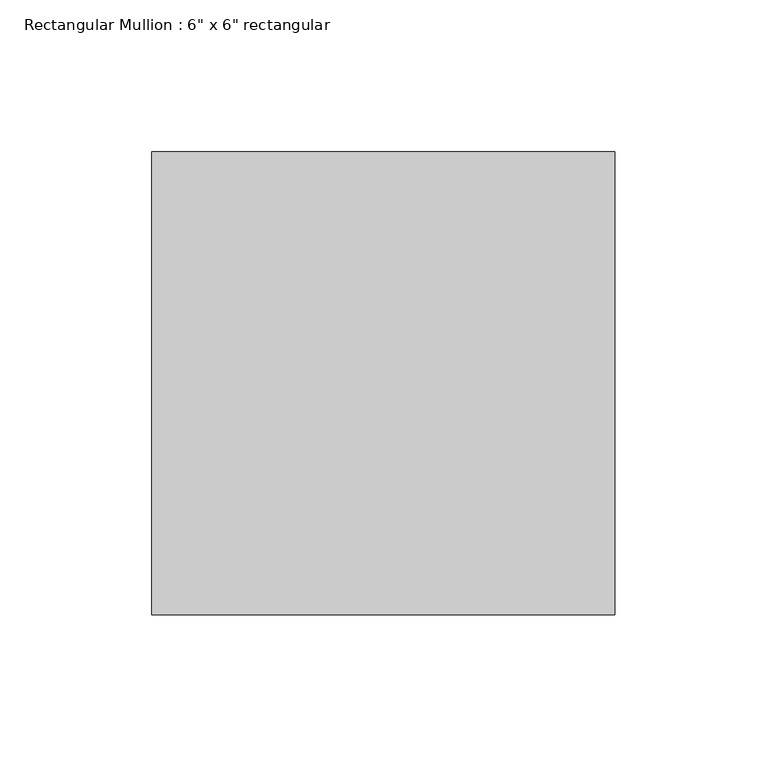
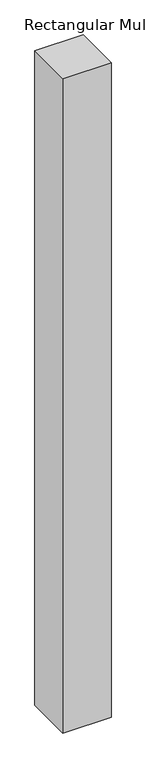
"""IFC4 building model written with IfcOpenShell, lengths in millimetres: member geometry."""

from ifc_helpers import new_model, si_unit, frame, origin, place, context, project, spatial, polyline, outline, extrude, source, transform, mapped, element, save


def member_dff3a911(model_context):
    return source(origin(), model_context, "Body", "SweptSolid", [
        extrude(outline(polyline([(0.0, 76.2), (0.0, -76.2), (-152.4, -76.2), (-152.4, 76.2), (0.0, 76.2)])), frame((0.0, 0.0, -2184.4), z_axis=(0.0, 0.0, 1.0), x_axis=(1.0, 0.0, 0.0)), (0.0, 0.0, 1.0), 2184.4),
    ])


if __name__ == "__main__":
    model = new_model("IFC4")
    model_context = context("Model", 3, world=origin())
    ifc_project = project(units=[si_unit("LENGTHUNIT", "METRE", prefix="MILLI")], contexts=[model_context])
    site = spatial("IfcSite", under=ifc_project)
    building = spatial("IfcBuilding", under=site)
    placement = place(None, origin())
    member_shape = member_dff3a911(model_context)
    element("IfcMember", 1, ObjectType="Rectangular Mullion : 6\" x 6\" rectangular", at=placement, inside=building, context=model_context, shape_type="MappedRepresentation", body=[
        mapped(member_shape, transform((0.0, 0.0, 0.0), x_axis=(1.0, 0.0, 0.0), y_axis=(0.0, 1.0, 0.0), z_axis=(0.0, 0.0, 1.0))),
    ])
    save(model, "model.ifc")
